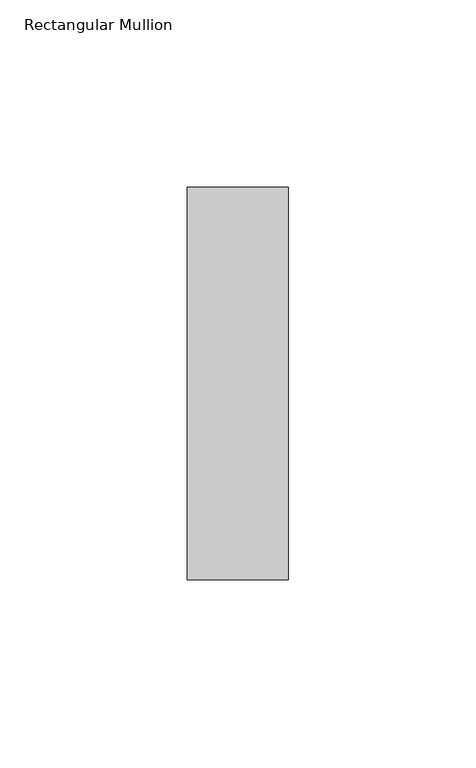
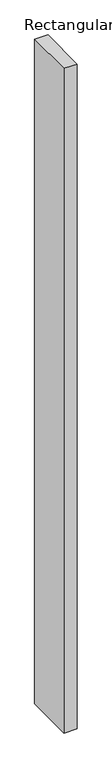
"""IFC4 building model written with IfcOpenShell, lengths in millimetres: member geometry, Rectangular Mullion."""

from ifc_helpers import new_model, si_unit, frame, origin, place, context, project, spatial, polyline, outline, extrude, source, transform, mapped, element, save


def rectangular_mullion_61a3a9dd(model_context):
    return source(origin(), model_context, "Body", "SweptSolid", [
        extrude(outline(polyline([(-27.0, 52.3975), (0.0, 52.3975), (0.0, -52.3975), (-27.0, -52.3975), (-27.0, 52.3975)])), frame((0.0, 0.0, -1446.0), z_axis=(0.0, 0.0, 1.0), x_axis=(1.0, 0.0, 0.0)), (0.0, 0.0, 1.0), 1446.0),
    ])


if __name__ == "__main__":
    model = new_model("IFC4")
    model_context = context("Model", 3, world=origin())
    ifc_project = project(units=[si_unit("LENGTHUNIT", "METRE", prefix="MILLI")], contexts=[model_context])
    site = spatial("IfcSite", under=ifc_project)
    building = spatial("IfcBuilding", under=site)
    placement = place(None, origin())
    rectangular_mullion_shape = rectangular_mullion_61a3a9dd(model_context)
    element("IfcMember", 1, ObjectType="Rectangular Mullion", at=placement, inside=building, context=model_context, shape_type="MappedRepresentation", body=[
        mapped(rectangular_mullion_shape, transform((0.0, 0.0, 0.0), x_axis=(1.0, 0.0, 0.0), y_axis=(0.0, 1.0, 0.0), z_axis=(0.0, 0.0, 1.0))),
    ])
    save(model, "model.ifc")
